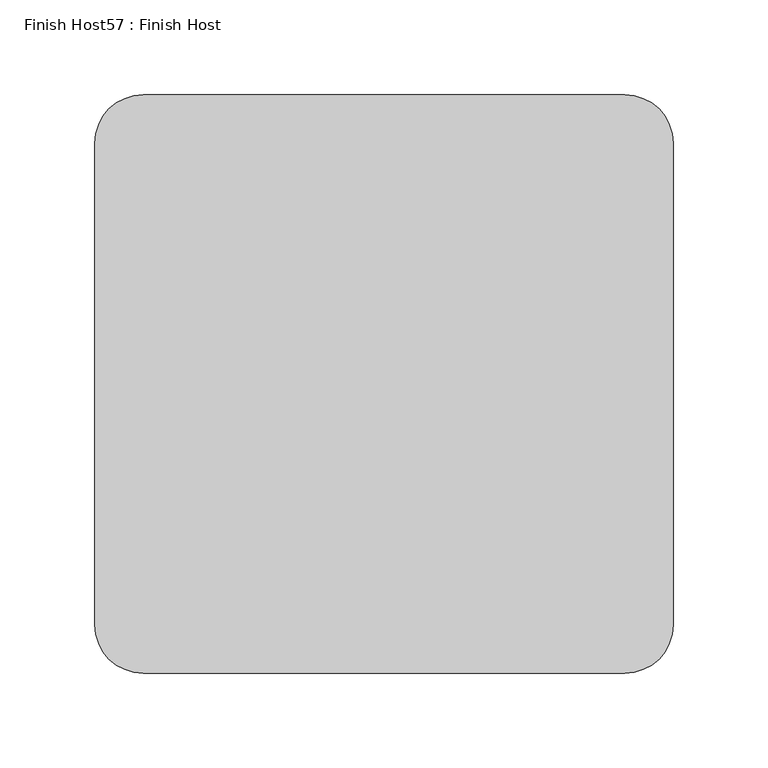
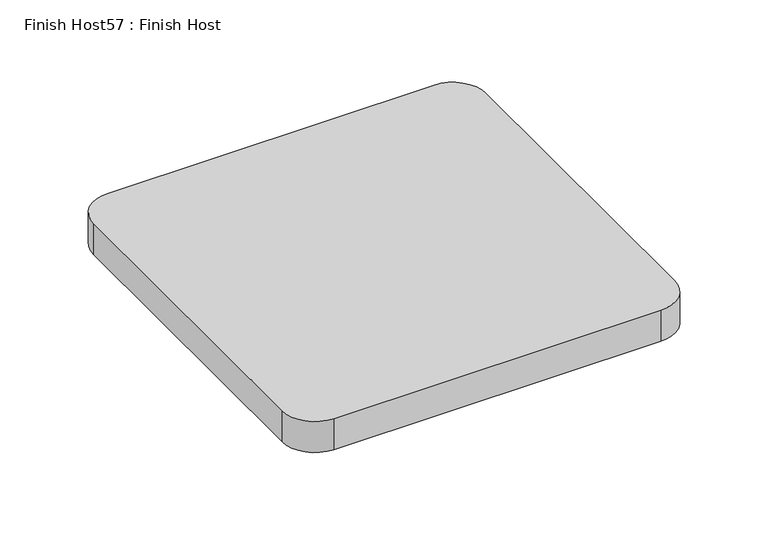
"""IFC4 building model written with IfcOpenShell, lengths in millimetres: proxy geometry, Finish Host57 : Finish Host."""

from ifc_helpers import new_model, si_unit, point, frame_2d, origin, origin_with_axes, place, context, project, spatial, polyline, circle_curve, trimmed, segment, composite_curve, outline, extrude, source, transform, mapped, element, save


def finish_host57_finish_host_ed8a52d6(model_context):
    return source(origin(), model_context, "Body", "SweptSolid", [
        extrude(outline(composite_curve([segment(polyline([(2308.6934426, 546.4122951), (2308.6934426, 800.4122951)]), True, "CONTINUOUS"), segment(trimmed(circle_curve(frame_2d((2334.0934426, 800.4122951)), 25.4), [point((2308.6934426, 800.4122951))], [point((2334.0934426, 825.8122951))], False, "CARTESIAN"), True, "CONTINUOUS"), segment(polyline([(2334.0934426, 825.8122951), (2588.0934426, 825.8122951)]), True, "CONTINUOUS"), segment(trimmed(circle_curve(frame_2d((2588.0934426, 800.4122951)), 25.4), [point((2588.0934426, 825.8122951))], [point((2613.4934426, 800.4122951))], False, "CARTESIAN"), True, "CONTINUOUS"), segment(polyline([(2613.4934426, 800.4122951), (2613.4934426, 546.4122951)]), True, "CONTINUOUS"), segment(trimmed(circle_curve(frame_2d((2588.0934426, 546.4122951)), 25.4), [point((2613.4934426, 546.4122951))], [point((2588.0934426, 521.0122951))], False, "CARTESIAN"), True, "CONTINUOUS"), segment(polyline([(2588.0934426, 521.0122951), (2334.0934426, 521.0122951)]), True, "CONTINUOUS"), segment(trimmed(circle_curve(frame_2d((2334.0934426, 546.4122951)), 25.4), [point((2334.0934426, 521.0122951))], [point((2308.6934426, 546.4122951))], False, "CARTESIAN"), True, "CONTINUOUS")], self_intersect=False)), origin_with_axes(), (0.0, 0.0, 1.0), 25.4),
    ])


if __name__ == "__main__":
    model = new_model("IFC4")
    model_context = context("Model", 3, world=origin())
    ifc_project = project(units=[si_unit("LENGTHUNIT", "METRE", prefix="MILLI")], contexts=[model_context])
    site = spatial("IfcSite", under=ifc_project)
    building = spatial("IfcBuilding", under=site)
    placement = place(None, origin())
    finish_host57_finish_host_shape = finish_host57_finish_host_ed8a52d6(model_context)
    element("IfcBuildingElementProxy", 1, Name="Finish Host57 : Finish Host", ObjectType="Finish Host57 : Finish Host", at=placement, inside=building, context=model_context, shape_type="MappedRepresentation", body=[
        mapped(finish_host57_finish_host_shape, transform((0.0, 0.0, 0.0), x_axis=(1.0, 0.0, 0.0), y_axis=(0.0, 1.0, 0.0), z_axis=(0.0, 0.0, 1.0))),
    ])
    save(model, "model.ifc")
